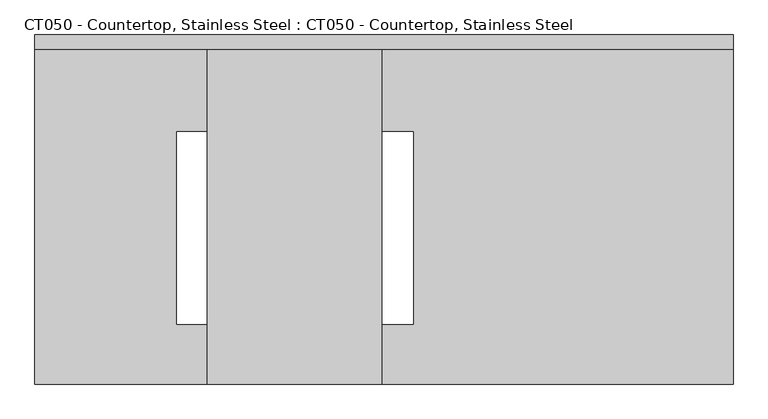
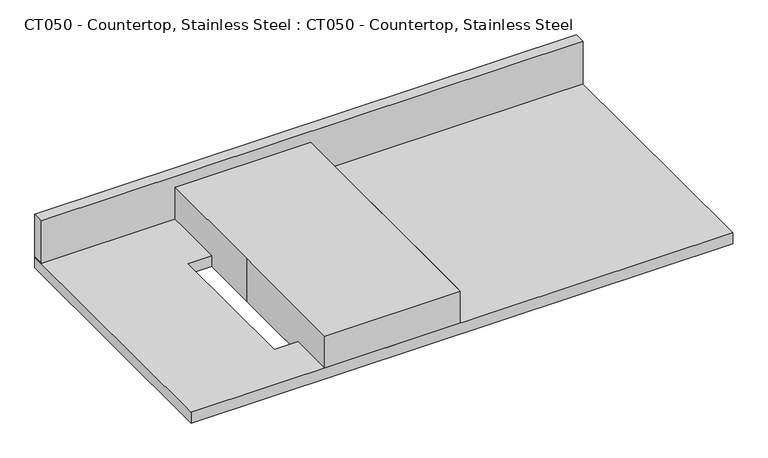
"""IFC4 building model written with IfcOpenShell, lengths in millimetres: proxy geometry, CT050 - Countertop, Stainless Steel : CT050 - Countertop, Stainless Steel."""

from ifc_helpers import new_model, si_unit, frame, origin, origin_with_axes, place, context, project, spatial, polyline, outline, extrude, source, transform, mapped, element, save


def ct050_countertop_stainless_steel_ct050_countertop_stainless_66c591b8(model_context):
    return source(origin(), model_context, "Body", "SweptSolid", [
        extrude(outline(polyline([(766.0057595, 304.8), (766.0057595, -304.8), (-453.1942404, -304.8), (-453.1942404, 304.8), (766.0057595, 304.8)]), holes=[polyline([(207.2057595, 135.73125), (-205.5442405, 135.73125), (-205.5442405, -200.81875), (207.2057595, -200.81875), (207.2057595, 135.73125)])]), origin_with_axes(), (0.0, 0.0, 1.0), 25.4),
        extrude(outline(polyline([(-453.1942404, 279.4), (-453.1942404, 304.8), (766.0057595, 304.8), (766.0057595, 279.4), (-453.1942404, 279.4)])), frame((0.0, 0.0, 25.4), z_axis=(0.0, 0.0, 1.0), x_axis=(1.0, 0.0, 0.0)), (0.0, 0.0, 1.0), 101.6),
        extrude(outline(polyline([(-152.4, 304.8), (152.4, 304.8), (152.4, -304.8), (-152.4, -304.8), (-152.4, 0.0), (-152.4, 304.8)])), origin_with_axes(), (0.0, 0.0, 1.0), 101.6),
    ])


if __name__ == "__main__":
    model = new_model("IFC4")
    model_context = context("Model", 3, world=origin())
    ifc_project = project(units=[si_unit("LENGTHUNIT", "METRE", prefix="MILLI")], contexts=[model_context])
    site = spatial("IfcSite", under=ifc_project)
    building = spatial("IfcBuilding", under=site)
    placement = place(None, origin())
    ct050_countertop_stainless_steel_ct050_countertop_stainless_shape = ct050_countertop_stainless_steel_ct050_countertop_stainless_66c591b8(model_context)
    element("IfcBuildingElementProxy", 1, Name="CT050 - Countertop, Stainless Steel : CT050 - Countertop, Stainless Steel", ObjectType="CT050 - Countertop, Stainless Steel : CT050 - Countertop, Stainless Steel", at=placement, inside=building, context=model_context, shape_type="MappedRepresentation", body=[
        mapped(ct050_countertop_stainless_steel_ct050_countertop_stainless_shape, transform((0.0, 0.0, 0.0), x_axis=(1.0, 0.0, 0.0), y_axis=(0.0, 1.0, 0.0), z_axis=(0.0, 0.0, 1.0))),
    ])
    save(model, "model.ifc")
